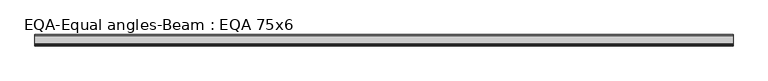
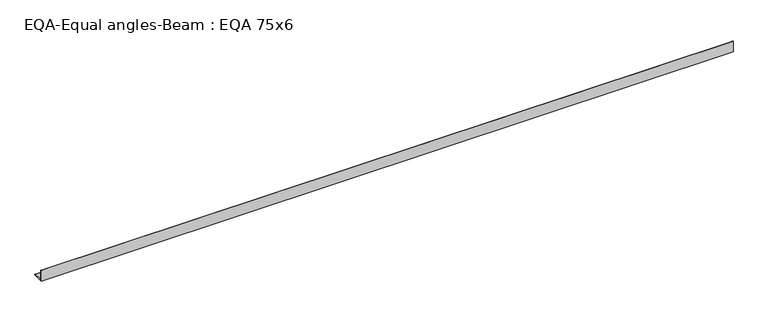
"""IFC4 building model written with IfcOpenShell, lengths in millimetres: beam geometry, EQA-Equal angles-Beam : EQA 75x6."""

import ifcopenshell
import ifcopenshell.guid

model = None  # the IFC model being written
_history = None  # IfcOwnerHistory: only IFC2X3 demands one
_inside = {}  # id of a spatial element -> (the spatial element, [elements in it])
_under = {}  # id of a project, library or spatial element -> (it, [spatial elements below it])
_declared = {}  # id of a project -> (the project, [libraries it declares])
_typed = {}  # id of a type object -> (the type object, [elements of that type])
_made_of = {}  # id of a material, layer set ... -> (it, [elements and type objects made of it])


def new_model(schema):
    """Start an empty IFC model of exactly this schema.

    Asked for "IFC4X3", IfcOpenShell would pick the latest addendum, in which some entities
    have other attributes; the version numbers below select the first issue.
    IFC2X3 requires an IfcOwnerHistory on every rooted entity: one is made here for all.
    """
    global model, _history
    if schema == "IFC4X3":
        model = ifcopenshell.file(schema_version=(4, 3, 0, 0))
    else:
        model = ifcopenshell.file(schema=schema)
    _inside.clear()
    _under.clear()
    _declared.clear()
    _typed.clear()
    _made_of.clear()
    _history = None
    if model.schema == "IFC2X3":
        org = make("IfcOrganization", Name="unknown")
        user = make(
            "IfcPersonAndOrganization",
            ThePerson=make("IfcPerson", FamilyName="unknown"),
            TheOrganization=org,
        )
        app = make(
            "IfcApplication",
            ApplicationDeveloper=org,
            Version="unknown",
            ApplicationFullName="unknown",
            ApplicationIdentifier="unknown",
        )
        _history = make(
            "IfcOwnerHistory",
            OwningUser=user,
            OwningApplication=app,
            ChangeAction="ADDED",
            CreationDate=0,
        )
    return model


def make(cls, **values):
    """One entity of the class cls with the attributes given. An attribute that is None is left unset."""
    return model.create_entity(
        cls, **{name: value for name, value in values.items() if value is not None}
    )


def rooted(cls, **values):
    """An entity with a GlobalId (a new one), such as an element, a storey or a relation."""
    return make(cls, GlobalId=ifcopenshell.guid.new(), OwnerHistory=_history, **values)


def si_unit(unit_type, name, prefix=None):
    """IfcSIUnit, for example si_unit("LENGTHUNIT", "METRE", prefix="MILLI")."""
    return make("IfcSIUnit", UnitType=unit_type, Prefix=prefix, Name=name)


def assignment(units):
    """IfcUnitAssignment: the units of a project."""
    return None if units is None else make("IfcUnitAssignment", Units=units)


def point(xyz):
    """IfcCartesianPoint."""
    return None if xyz is None else make("IfcCartesianPoint", Coordinates=xyz)


def direction(xyz):
    """IfcDirection."""
    return None if xyz is None else make("IfcDirection", DirectionRatios=xyz)


def frame(location, z_axis=None, x_axis=None):
    """IfcAxis2Placement3D, a coordinate frame: its origin and axes. An axis left out is left unset."""
    return make(
        "IfcAxis2Placement3D",
        Location=point(location),
        Axis=direction(z_axis),
        RefDirection=direction(x_axis),
    )


def frame_2d(location, x_axis=None):
    """IfcAxis2Placement2D, a coordinate frame in the plane: its origin and x axis."""
    return make(
        "IfcAxis2Placement2D", Location=point(location), RefDirection=direction(x_axis)
    )


def origin():
    """The frame at (0, 0, 0) with its axes left unset."""
    return frame((0.0, 0.0, 0.0))


def place(relative_to, where):
    """IfcLocalPlacement: puts the frame where relative to a parent placement (None: the world)."""
    return make(
        "IfcLocalPlacement", PlacementRelTo=relative_to, RelativePlacement=where
    )


def context(
    kind, dimensions, precision=None, world=None, true_north=None, identifier=None
):
    """IfcGeometricRepresentationContext, for example the 3D "Model" context."""
    return make(
        "IfcGeometricRepresentationContext",
        ContextIdentifier=identifier,
        ContextType=kind,
        CoordinateSpaceDimension=dimensions,
        Precision=precision,
        WorldCoordinateSystem=world,
        TrueNorth=true_north,
    )


def project(units=None, contexts=None):
    """IfcProject with its units and contexts."""
    return rooted(
        "IfcProject",
        Name="project",
        RepresentationContexts=contexts,
        UnitsInContext=assignment(units),
    )


def spatial(cls, under=None, at=None, **own):
    """A site, building, storey or space (cls), placed at a placement, below another one or the project."""
    s = rooted(cls, ObjectPlacement=at, **own)
    if under is not None:
        _under.setdefault(under.id(), (under, []))[1].append(s)
    return s


def polyline(points):
    """IfcPolyline through the points."""
    return make("IfcPolyline", Points=[point(p) for p in points])


def circle_curve(where, radius):
    """IfcCircle in the frame where."""
    return make("IfcCircle", Position=where, Radius=radius)


def trimmed(basis, trim1, trim2, sense, master):
    """IfcTrimmedCurve: the piece of a basis curve between two trims."""
    return make(
        "IfcTrimmedCurve",
        BasisCurve=basis,
        Trim1=trim1,
        Trim2=trim2,
        SenseAgreement=sense,
        MasterRepresentation=master,
    )


def segment(curve, same_sense, transition):
    """IfcCompositeCurveSegment."""
    return make(
        "IfcCompositeCurveSegment",
        Transition=transition,
        SameSense=same_sense,
        ParentCurve=curve,
    )


def composite_curve(segments, self_intersect=None):
    """IfcCompositeCurve: segments joined end to end."""
    return make("IfcCompositeCurve", Segments=segments, SelfIntersect=self_intersect)


def outline(outer, holes=None, kind="AREA"):
    """IfcArbitraryClosedProfileDef: a profile drawn as a closed curve; with holes, ...WithVoids."""
    if holes is None:
        return make("IfcArbitraryClosedProfileDef", ProfileType=kind, OuterCurve=outer)
    return make(
        "IfcArbitraryProfileDefWithVoids",
        ProfileType=kind,
        OuterCurve=outer,
        InnerCurves=holes,
    )


def extrude(swept, where, along, depth):
    """IfcExtrudedAreaSolid: the profile swept, set in the frame where, extruded along a direction by depth."""
    return make(
        "IfcExtrudedAreaSolid",
        SweptArea=swept,
        Position=where,
        ExtrudedDirection=direction(along),
        Depth=depth,
    )


def shape(context_of_items, identifier, shape_type, items):
    """IfcShapeRepresentation: the items that make up one representation, for example the "Body"."""
    return make(
        "IfcShapeRepresentation",
        ContextOfItems=context_of_items,
        RepresentationIdentifier=identifier,
        RepresentationType=shape_type,
        Items=items,
    )


def source(mapping_origin, context_of_items, identifier, shape_type, items):
    """IfcRepresentationMap: a shape defined once, which mapped items show again and again."""
    return make(
        "IfcRepresentationMap",
        MappingOrigin=mapping_origin,
        MappedRepresentation=shape(context_of_items, identifier, shape_type, items),
    )


def transform(
    local_origin,
    x_axis=None,
    y_axis=None,
    z_axis=None,
    scale=None,
    scale2=None,
    scale3=None,
    uniform=True,
):
    """IfcCartesianTransformationOperator3D, or its non-uniform kind. x_axis, y_axis, z_axis: its Axis1, 2, 3."""
    if uniform:
        return make(
            "IfcCartesianTransformationOperator3D",
            Axis1=direction(x_axis),
            Axis2=direction(y_axis),
            LocalOrigin=point(local_origin),
            Scale=scale,
            Axis3=direction(z_axis),
        )
    return make(
        "IfcCartesianTransformationOperator3DnonUniform",
        Axis1=direction(x_axis),
        Axis2=direction(y_axis),
        LocalOrigin=point(local_origin),
        Scale=scale,
        Axis3=direction(z_axis),
        Scale2=scale2,
        Scale3=scale3,
    )


def mapped(mapping_source, mapping_target):
    """IfcMappedItem: shows the shape of a source again, moved by a transform."""
    return make(
        "IfcMappedItem", MappingSource=mapping_source, MappingTarget=mapping_target
    )


def made_of(thing, what):
    """Note that an element or type object is made of a material, layer set ...; save() writes the relation."""
    if what is not None:
        _made_of.setdefault(what.id(), (what, []))[1].append(thing)
    return thing


def element(
    cls,
    number,
    at=None,
    inside=None,
    cuts=None,
    type_object=None,
    material=None,
    context=None,
    identifier="Body",
    shape_type=None,
    held_by="IfcProductDefinitionShape",
    body=None,
    shapes=None,
    **own,
):
    """One element of the class cls, such as IfcWall. Its Tag is "e" and its number.

    at: its placement. inside: the storey or other place that contains it. cuts: it is an
    opening in that element (IfcRelVoidsElement). A single representation is given by context,
    identifier, shape_type and body (its items); several are given by shapes. held_by: the class
    of the entity that holds the representations. save() writes the other relations.
    """
    e = rooted(cls, Tag="e%d" % number, ObjectPlacement=at, **own)
    if body is not None:
        shapes = [shape(context, identifier, shape_type, body)]
    if shapes is not None:
        e.Representation = make(held_by, Representations=shapes)
    if inside is not None:
        _inside.setdefault(inside.id(), (inside, []))[1].append(e)
    if cuts is not None:
        rooted(
            "IfcRelVoidsElement", RelatingBuildingElement=cuts, RelatedOpeningElement=e
        )
    if type_object is not None:
        _typed.setdefault(type_object.id(), (type_object, []))[1].append(e)
    return made_of(e, material)


def aggregate(whole, parts):
    """IfcRelAggregates: a whole, such as a stair, and the parts it consists of."""
    return rooted("IfcRelAggregates", RelatingObject=whole, RelatedObjects=parts)


def save(model, path):
    """Write the relations noted so far, then the file.

    IfcRelAggregates (storeys below a building ...), IfcRelContainedInSpatialStructure (elements
    in a storey), IfcRelDefinesByType, IfcRelAssociatesMaterial and IfcRelDeclares: one each for
    every whole, place, type object, material and project.
    """
    for whole, parts in _under.values():
        aggregate(whole, parts)
    for where, things in _inside.values():
        rooted(
            "IfcRelContainedInSpatialStructure",
            RelatedElements=things,
            RelatingStructure=where,
        )
    for kind, things in _typed.values():
        rooted("IfcRelDefinesByType", RelatedObjects=things, RelatingType=kind)
    for what, things in _made_of.values():
        rooted("IfcRelAssociatesMaterial", RelatedObjects=things, RelatingMaterial=what)
    for by, libraries in _declared.values():
        rooted("IfcRelDeclares", RelatingContext=by, RelatedDefinitions=libraries)
    model.write(path)


def eqa_equal_angles_beam_eqa_75x6_403ee0b4(model_context):
    return source(origin(), model_context, "Body", "SweptSolid", [
        extrude(outline(composite_curve([segment(polyline([(-20.5, -20.5), (-20.5, 54.5), (-19.0, 54.5)]), True, "CONTINUOUS"), segment(trimmed(circle_curve(frame_2d((-19.0, 50.0)), 4.5), [point((-19.0, 54.5))], [point((-14.5, 50.0))], False, "CARTESIAN"), True, "CONTINUOUS"), segment(polyline([(-14.5, 50.0), (-14.5, -5.5)]), True, "CONTINUOUS"), segment(trimmed(circle_curve(frame_2d((-5.5, -5.5)), 9.0), [point((-14.5, -5.5))], [point((-5.5, -14.5))], True, "CARTESIAN"), True, "CONTINUOUS"), segment(polyline([(-5.5, -14.5), (50.0, -14.5)]), True, "CONTINUOUS"), segment(trimmed(circle_curve(frame_2d((50.0, -19.0)), 4.5), [point((50.0, -14.5))], [point((54.5, -19.0))], False, "CARTESIAN"), True, "CONTINUOUS"), segment(polyline([(54.5, -19.0), (54.5, -20.5), (-20.5, -20.5)]), True, "CONTINUOUS")], self_intersect=False)), frame((-2306.6629078, 0.0, 0.0), z_axis=(1.0, 0.0, 0.0), x_axis=(0.0, 1.0, 0.0)), (0.0, 0.0, 1.0), 4629.0250345),
    ])


if __name__ == "__main__":
    model = new_model("IFC4")
    model_context = context("Model", 3, world=origin())
    ifc_project = project(units=[si_unit("LENGTHUNIT", "METRE", prefix="MILLI")], contexts=[model_context])
    site = spatial("IfcSite", under=ifc_project)
    building = spatial("IfcBuilding", under=site)
    placement = place(None, origin())
    eqa_equal_angles_beam_eqa_75x6_shape = eqa_equal_angles_beam_eqa_75x6_403ee0b4(model_context)
    element("IfcBeam", 1, ObjectType="EQA-Equal angles-Beam : EQA 75x6", at=placement, inside=building, context=model_context, shape_type="MappedRepresentation", body=[
        mapped(eqa_equal_angles_beam_eqa_75x6_shape, transform((0.0, 0.0, 0.0), x_axis=(1.0, 0.0, 0.0), y_axis=(0.0, 1.0, 0.0), z_axis=(0.0, 0.0, 1.0))),
    ])
    save(model, "model.ifc")
